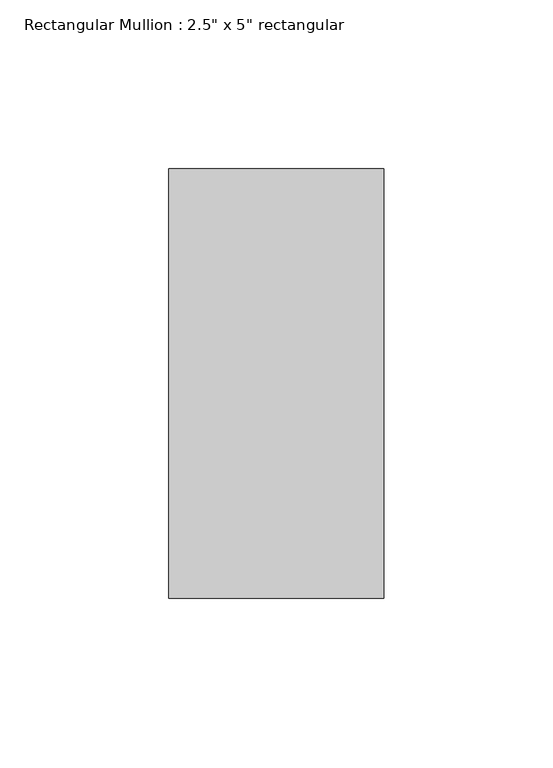
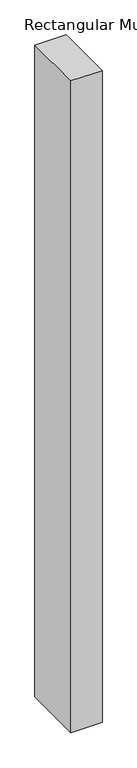
"""IFC4 building model written with IfcOpenShell, lengths in millimetres: member geometry."""

from ifc_helpers import new_model, si_unit, frame, origin, place, context, project, spatial, polyline, outline, extrude, source, transform, mapped, element, save


def member_0690b2c1(model_context):
    return source(origin(), model_context, "Body", "SweptSolid", [
        extrude(outline(polyline([(0.0, 63.5), (0.0, -63.5), (-63.5, -63.5), (-63.5, 63.5), (0.0, 63.5)])), frame((0.0, 0.0, -1404.9375002), z_axis=(0.0, 0.0, 1.0), x_axis=(1.0, 0.0, 0.0)), (0.0, 0.0, 1.0), 1404.9375002),
    ])


if __name__ == "__main__":
    model = new_model("IFC4")
    model_context = context("Model", 3, world=origin())
    ifc_project = project(units=[si_unit("LENGTHUNIT", "METRE", prefix="MILLI")], contexts=[model_context])
    site = spatial("IfcSite", under=ifc_project)
    building = spatial("IfcBuilding", under=site)
    placement = place(None, origin())
    member_shape = member_0690b2c1(model_context)
    element("IfcMember", 1, ObjectType="Rectangular Mullion : 2.5\" x 5\" rectangular", at=placement, inside=building, context=model_context, shape_type="MappedRepresentation", body=[
        mapped(member_shape, transform((0.0, 0.0, 0.0), x_axis=(1.0, 0.0, 0.0), y_axis=(0.0, 1.0, 0.0), z_axis=(0.0, 0.0, 1.0))),
    ])
    save(model, "model.ifc")
